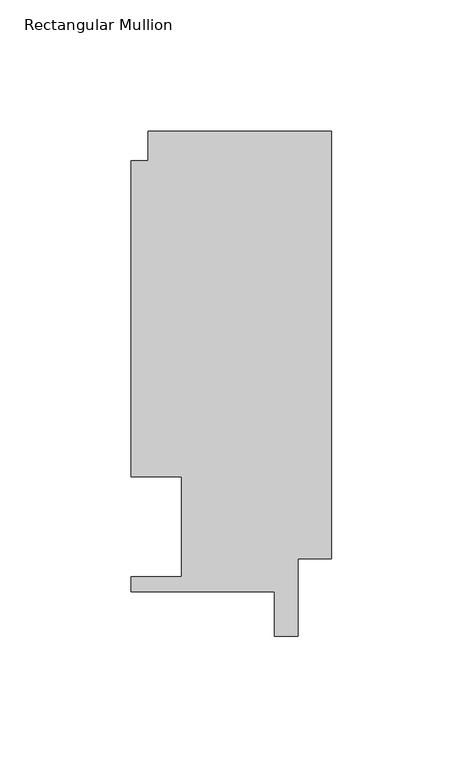
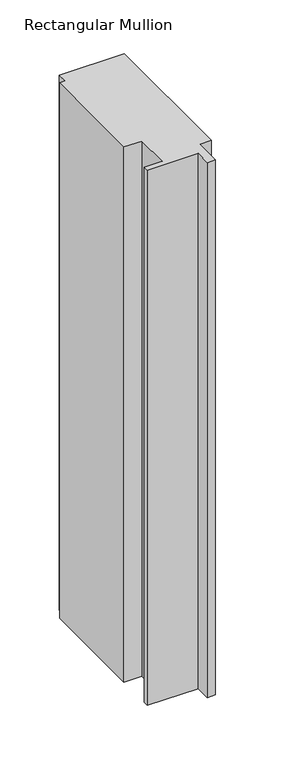
"""IFC4 building model written with IfcOpenShell, lengths in millimetres: member geometry, Rectangular Mullion."""

import ifcopenshell
import ifcopenshell.guid

model = None  # the IFC model being written
_history = None  # IfcOwnerHistory: only IFC2X3 demands one
_inside = {}  # id of a spatial element -> (the spatial element, [elements in it])
_under = {}  # id of a project, library or spatial element -> (it, [spatial elements below it])
_declared = {}  # id of a project -> (the project, [libraries it declares])
_typed = {}  # id of a type object -> (the type object, [elements of that type])
_made_of = {}  # id of a material, layer set ... -> (it, [elements and type objects made of it])


def new_model(schema):
    """Start an empty IFC model of exactly this schema.

    Asked for "IFC4X3", IfcOpenShell would pick the latest addendum, in which some entities
    have other attributes; the version numbers below select the first issue.
    IFC2X3 requires an IfcOwnerHistory on every rooted entity: one is made here for all.
    """
    global model, _history
    if schema == "IFC4X3":
        model = ifcopenshell.file(schema_version=(4, 3, 0, 0))
    else:
        model = ifcopenshell.file(schema=schema)
    _inside.clear()
    _under.clear()
    _declared.clear()
    _typed.clear()
    _made_of.clear()
    _history = None
    if model.schema == "IFC2X3":
        org = make("IfcOrganization", Name="unknown")
        user = make(
            "IfcPersonAndOrganization",
            ThePerson=make("IfcPerson", FamilyName="unknown"),
            TheOrganization=org,
        )
        app = make(
            "IfcApplication",
            ApplicationDeveloper=org,
            Version="unknown",
            ApplicationFullName="unknown",
            ApplicationIdentifier="unknown",
        )
        _history = make(
            "IfcOwnerHistory",
            OwningUser=user,
            OwningApplication=app,
            ChangeAction="ADDED",
            CreationDate=0,
        )
    return model


def make(cls, **values):
    """One entity of the class cls with the attributes given. An attribute that is None is left unset."""
    return model.create_entity(
        cls, **{name: value for name, value in values.items() if value is not None}
    )


def rooted(cls, **values):
    """An entity with a GlobalId (a new one), such as an element, a storey or a relation."""
    return make(cls, GlobalId=ifcopenshell.guid.new(), OwnerHistory=_history, **values)


def si_unit(unit_type, name, prefix=None):
    """IfcSIUnit, for example si_unit("LENGTHUNIT", "METRE", prefix="MILLI")."""
    return make("IfcSIUnit", UnitType=unit_type, Prefix=prefix, Name=name)


def assignment(units):
    """IfcUnitAssignment: the units of a project."""
    return None if units is None else make("IfcUnitAssignment", Units=units)


def point(xyz):
    """IfcCartesianPoint."""
    return None if xyz is None else make("IfcCartesianPoint", Coordinates=xyz)


def direction(xyz):
    """IfcDirection."""
    return None if xyz is None else make("IfcDirection", DirectionRatios=xyz)


def frame(location, z_axis=None, x_axis=None):
    """IfcAxis2Placement3D, a coordinate frame: its origin and axes. An axis left out is left unset."""
    return make(
        "IfcAxis2Placement3D",
        Location=point(location),
        Axis=direction(z_axis),
        RefDirection=direction(x_axis),
    )


def origin():
    """The frame at (0, 0, 0) with its axes left unset."""
    return frame((0.0, 0.0, 0.0))


def place(relative_to, where):
    """IfcLocalPlacement: puts the frame where relative to a parent placement (None: the world)."""
    return make(
        "IfcLocalPlacement", PlacementRelTo=relative_to, RelativePlacement=where
    )


def context(
    kind, dimensions, precision=None, world=None, true_north=None, identifier=None
):
    """IfcGeometricRepresentationContext, for example the 3D "Model" context."""
    return make(
        "IfcGeometricRepresentationContext",
        ContextIdentifier=identifier,
        ContextType=kind,
        CoordinateSpaceDimension=dimensions,
        Precision=precision,
        WorldCoordinateSystem=world,
        TrueNorth=true_north,
    )


def project(units=None, contexts=None):
    """IfcProject with its units and contexts."""
    return rooted(
        "IfcProject",
        Name="project",
        RepresentationContexts=contexts,
        UnitsInContext=assignment(units),
    )


def spatial(cls, under=None, at=None, **own):
    """A site, building, storey or space (cls), placed at a placement, below another one or the project."""
    s = rooted(cls, ObjectPlacement=at, **own)
    if under is not None:
        _under.setdefault(under.id(), (under, []))[1].append(s)
    return s


def polyline(points):
    """IfcPolyline through the points."""
    return make("IfcPolyline", Points=[point(p) for p in points])


def outline(outer, holes=None, kind="AREA"):
    """IfcArbitraryClosedProfileDef: a profile drawn as a closed curve; with holes, ...WithVoids."""
    if holes is None:
        return make("IfcArbitraryClosedProfileDef", ProfileType=kind, OuterCurve=outer)
    return make(
        "IfcArbitraryProfileDefWithVoids",
        ProfileType=kind,
        OuterCurve=outer,
        InnerCurves=holes,
    )


def extrude(swept, where, along, depth):
    """IfcExtrudedAreaSolid: the profile swept, set in the frame where, extruded along a direction by depth."""
    return make(
        "IfcExtrudedAreaSolid",
        SweptArea=swept,
        Position=where,
        ExtrudedDirection=direction(along),
        Depth=depth,
    )


def shape(context_of_items, identifier, shape_type, items):
    """IfcShapeRepresentation: the items that make up one representation, for example the "Body"."""
    return make(
        "IfcShapeRepresentation",
        ContextOfItems=context_of_items,
        RepresentationIdentifier=identifier,
        RepresentationType=shape_type,
        Items=items,
    )


def source(mapping_origin, context_of_items, identifier, shape_type, items):
    """IfcRepresentationMap: a shape defined once, which mapped items show again and again."""
    return make(
        "IfcRepresentationMap",
        MappingOrigin=mapping_origin,
        MappedRepresentation=shape(context_of_items, identifier, shape_type, items),
    )


def transform(
    local_origin,
    x_axis=None,
    y_axis=None,
    z_axis=None,
    scale=None,
    scale2=None,
    scale3=None,
    uniform=True,
):
    """IfcCartesianTransformationOperator3D, or its non-uniform kind. x_axis, y_axis, z_axis: its Axis1, 2, 3."""
    if uniform:
        return make(
            "IfcCartesianTransformationOperator3D",
            Axis1=direction(x_axis),
            Axis2=direction(y_axis),
            LocalOrigin=point(local_origin),
            Scale=scale,
            Axis3=direction(z_axis),
        )
    return make(
        "IfcCartesianTransformationOperator3DnonUniform",
        Axis1=direction(x_axis),
        Axis2=direction(y_axis),
        LocalOrigin=point(local_origin),
        Scale=scale,
        Axis3=direction(z_axis),
        Scale2=scale2,
        Scale3=scale3,
    )


def mapped(mapping_source, mapping_target):
    """IfcMappedItem: shows the shape of a source again, moved by a transform."""
    return make(
        "IfcMappedItem", MappingSource=mapping_source, MappingTarget=mapping_target
    )


def made_of(thing, what):
    """Note that an element or type object is made of a material, layer set ...; save() writes the relation."""
    if what is not None:
        _made_of.setdefault(what.id(), (what, []))[1].append(thing)
    return thing


def element(
    cls,
    number,
    at=None,
    inside=None,
    cuts=None,
    type_object=None,
    material=None,
    context=None,
    identifier="Body",
    shape_type=None,
    held_by="IfcProductDefinitionShape",
    body=None,
    shapes=None,
    **own,
):
    """One element of the class cls, such as IfcWall. Its Tag is "e" and its number.

    at: its placement. inside: the storey or other place that contains it. cuts: it is an
    opening in that element (IfcRelVoidsElement). A single representation is given by context,
    identifier, shape_type and body (its items); several are given by shapes. held_by: the class
    of the entity that holds the representations. save() writes the other relations.
    """
    e = rooted(cls, Tag="e%d" % number, ObjectPlacement=at, **own)
    if body is not None:
        shapes = [shape(context, identifier, shape_type, body)]
    if shapes is not None:
        e.Representation = make(held_by, Representations=shapes)
    if inside is not None:
        _inside.setdefault(inside.id(), (inside, []))[1].append(e)
    if cuts is not None:
        rooted(
            "IfcRelVoidsElement", RelatingBuildingElement=cuts, RelatedOpeningElement=e
        )
    if type_object is not None:
        _typed.setdefault(type_object.id(), (type_object, []))[1].append(e)
    return made_of(e, material)


def aggregate(whole, parts):
    """IfcRelAggregates: a whole, such as a stair, and the parts it consists of."""
    return rooted("IfcRelAggregates", RelatingObject=whole, RelatedObjects=parts)


def save(model, path):
    """Write the relations noted so far, then the file.

    IfcRelAggregates (storeys below a building ...), IfcRelContainedInSpatialStructure (elements
    in a storey), IfcRelDefinesByType, IfcRelAssociatesMaterial and IfcRelDeclares: one each for
    every whole, place, type object, material and project.
    """
    for whole, parts in _under.values():
        aggregate(whole, parts)
    for where, things in _inside.values():
        rooted(
            "IfcRelContainedInSpatialStructure",
            RelatedElements=things,
            RelatingStructure=where,
        )
    for kind, things in _typed.values():
        rooted("IfcRelDefinesByType", RelatedObjects=things, RelatingType=kind)
    for what, things in _made_of.values():
        rooted("IfcRelAssociatesMaterial", RelatedObjects=things, RelatingMaterial=what)
    for by, libraries in _declared.values():
        rooted("IfcRelDeclares", RelatingContext=by, RelatedDefinitions=libraries)
    model.write(path)


def rectangular_mullion_3f992270(model_context):
    return source(origin(), model_context, "Body", "SweptSolid", [
        extrude(outline(polyline([(-69.85, 163.068), (0.0, 163.068), (0.0, 0.3801778), (-12.7082673, 0.3801778), (-12.7082673, -29.0594018), (-21.6998673, -29.0594018), (-21.6998673, -12.065), (-76.2253999, -12.065), (-76.2253999, -6.35), (-57.1499999, -6.35), (-57.1499999, 31.75), (-76.1999999, 31.75), (-76.1999999, 151.892), (-69.85, 151.892), (-69.85, 163.068)])), frame((0.0, 0.0, -609.6), z_axis=(0.0, 0.0, 1.0), x_axis=(1.0, 0.0, 0.0)), (0.0, 0.0, 1.0), 609.6),
    ])


if __name__ == "__main__":
    model = new_model("IFC4")
    model_context = context("Model", 3, world=origin())
    ifc_project = project(units=[si_unit("LENGTHUNIT", "METRE", prefix="MILLI")], contexts=[model_context])
    site = spatial("IfcSite", under=ifc_project)
    building = spatial("IfcBuilding", under=site)
    placement = place(None, origin())
    rectangular_mullion_shape = rectangular_mullion_3f992270(model_context)
    element("IfcMember", 1, ObjectType="Rectangular Mullion", at=placement, inside=building, context=model_context, shape_type="MappedRepresentation", body=[
        mapped(rectangular_mullion_shape, transform((0.0, 0.0, 0.0), x_axis=(1.0, 0.0, 0.0), y_axis=(0.0, 1.0, 0.0), z_axis=(0.0, 0.0, 1.0))),
    ])
    save(model, "model.ifc")
